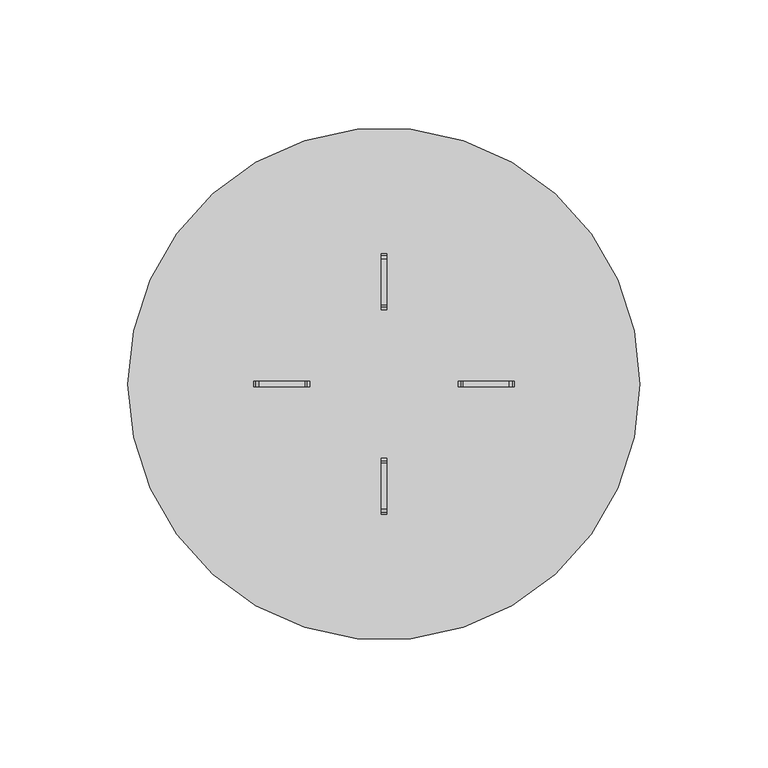
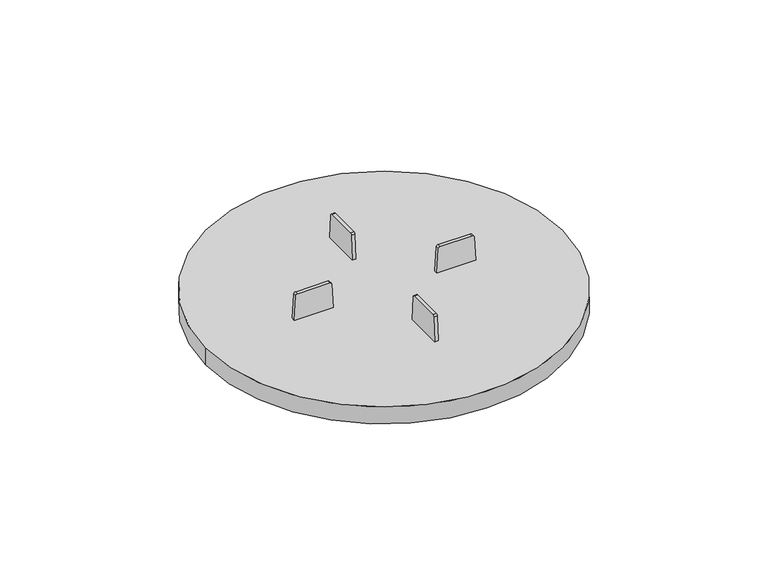
"""IFC4 building model written with IfcOpenShell, lengths in millimetres: proxy geometry."""

from ifc_helpers import new_model, si_unit, point, frame, frame_2d, origin, origin_with_axes, origin_2d, place, context, project, spatial, polyline, circle_curve, trimmed, segment, composite_curve, outline, extrude, source, transform, mapped, element, save


def generic_models_e7bb7e42(model_context):
    return source(origin(), model_context, "Body", "SweptSolid", [
        extrude(outline(composite_curve([segment(polyline([(-29.9858803, 24.0987445), (-29.0, 10.0), (-51.0, 10.0), (-50.0179858, 24.0434575)]), True, "CONTINUOUS"), segment(trimmed(circle_curve(frame_2d((-48.9922195, 23.9717289)), 1.0282711), [point((-50.0179858, 24.0434575))], [point((-48.9922195, 25.0))], False, "CARTESIAN"), True, "CONTINUOUS"), segment(polyline([(-48.9922195, 25.0), (-30.9523584, 25.0)]), True, "CONTINUOUS"), segment(trimmed(circle_curve(frame_2d((-30.9523584, 24.0311618)), 0.9688382), [point((-30.9523584, 25.0))], [point((-29.9858803, 24.0987445))], False, "CARTESIAN"), True, "CONTINUOUS")], self_intersect=False)), frame((-1.0, 0.0, 0.0), z_axis=(1.0, 0.0, 0.0), x_axis=(0.0, 1.0, 0.0)), (0.0, 0.0, 1.0), 2.0),
        extrude(outline(composite_curve([segment(polyline([(24.0987445, 29.9858803), (10.0, 29.0), (10.0, 51.0), (24.0434575, 50.0179858)]), True, "CONTINUOUS"), segment(trimmed(circle_curve(frame_2d((23.9717289, 48.9922195)), 1.0282711), [point((24.0434575, 50.0179858))], [point((25.0, 48.9922195))], False, "CARTESIAN"), True, "CONTINUOUS"), segment(polyline([(25.0, 48.9922195), (25.0, 30.9523584)]), True, "CONTINUOUS"), segment(trimmed(circle_curve(frame_2d((24.0311618, 30.9523584)), 0.9688382), [point((25.0, 30.9523584))], [point((24.0987445, 29.9858803))], False, "CARTESIAN"), True, "CONTINUOUS")], self_intersect=False)), frame((0.0, -1.0, 0.0), z_axis=(0.0, 1.0, 0.0), x_axis=(0.0, 0.0, 1.0)), (0.0, 0.0, 1.0), 2.0),
        extrude(outline(composite_curve([segment(trimmed(circle_curve(frame_2d((30.9523584, 24.0311618)), 0.9688382), [point((29.9858803, 24.0987445))], [point((30.9523584, 25.0))], False, "CARTESIAN"), True, "CONTINUOUS"), segment(polyline([(30.9523584, 25.0), (48.9922195, 25.0)]), True, "CONTINUOUS"), segment(trimmed(circle_curve(frame_2d((48.9922195, 23.9717289)), 1.0282711), [point((48.9922195, 25.0))], [point((50.0179858, 24.0434575))], False, "CARTESIAN"), True, "CONTINUOUS"), segment(polyline([(50.0179858, 24.0434575), (51.0, 10.0), (29.0, 10.0), (29.9858803, 24.0987445)]), True, "CONTINUOUS")], self_intersect=False)), frame((-1.0, 0.0, 0.0), z_axis=(1.0, 0.0, 0.0), x_axis=(0.0, 1.0, 0.0)), (0.0, 0.0, 1.0), 2.0),
        extrude(outline(composite_curve([segment(trimmed(circle_curve(frame_2d((24.0311618, -30.9523584)), 0.9688382), [point((24.0987445, -29.9858803))], [point((25.0, -30.9523584))], False, "CARTESIAN"), True, "CONTINUOUS"), segment(polyline([(25.0, -30.9523584), (25.0, -48.9922195)]), True, "CONTINUOUS"), segment(trimmed(circle_curve(frame_2d((23.9717289, -48.9922195)), 1.0282711), [point((25.0, -48.9922195))], [point((24.0434575, -50.0179858))], False, "CARTESIAN"), True, "CONTINUOUS"), segment(polyline([(24.0434575, -50.0179858), (10.0, -51.0), (10.0, -29.0), (24.0987445, -29.9858803)]), True, "CONTINUOUS")], self_intersect=False)), frame((0.0, -1.0, 0.0), z_axis=(0.0, 1.0, 0.0), x_axis=(0.0, 0.0, 1.0)), (0.0, 0.0, 1.0), 2.0),
        extrude(outline(composite_curve([segment(trimmed(circle_curve(origin_2d(), 100.0), [point((-100.0, 0.0))], [point((100.0, 0.0))], False, "CARTESIAN"), True, "CONTINUOUS"), segment(trimmed(circle_curve(origin_2d(), 100.0), [point((100.0, 0.0))], [point((-100.0, 0.0))], False, "CARTESIAN"), True, "CONTINUOUS")], self_intersect=False)), origin_with_axes(), (0.0, 0.0, 1.0), 10.0),
    ])


if __name__ == "__main__":
    model = new_model("IFC4")
    model_context = context("Model", 3, world=origin())
    ifc_project = project(units=[si_unit("LENGTHUNIT", "METRE", prefix="MILLI")], contexts=[model_context])
    site = spatial("IfcSite", under=ifc_project)
    building = spatial("IfcBuilding", under=site)
    placement = place(None, origin())
    generic_models_shape = generic_models_e7bb7e42(model_context)
    element("IfcBuildingElementProxy", 1, Name="Generic Models", at=placement, inside=building, context=model_context, shape_type="MappedRepresentation", body=[
        mapped(generic_models_shape, transform((0.0, 0.0, 0.0), x_axis=(1.0, 0.0, 0.0), y_axis=(0.0, 1.0, 0.0), z_axis=(0.0, 0.0, 1.0))),
    ])
    save(model, "model.ifc")
